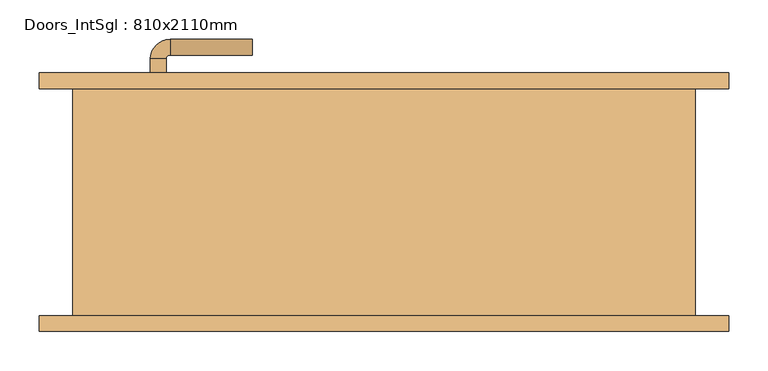
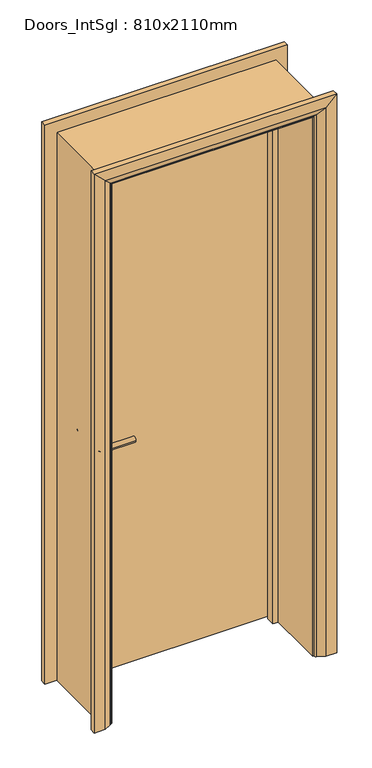
"""IFC4 building model written with IfcOpenShell, lengths in millimetres: door geometry, Doors_IntSgl : 810x2110mm."""

from ifc_helpers import new_model, si_unit, point, frame, frame_2d, origin, place, context, project, spatial, polyline, circle_curve, ellipse_curve, trimmed, segment, composite_curve, outline, extrude, faceted_brep, source, transform, mapped, element, save
from ifc_brep_helpers import plane_surface, cylinder_surface, revolved_surface, advanced_brep


def doors_intsgl_810x2110mm_6d4c063a(model_context):
    return source(origin(), model_context, "Body", "SolidModel", [
        advanced_brep(
        [(-298.0, 99.0, 900.0), (-278.0, 99.0, 900.0), (-278.0, 69.0, 900.0), (-298.0, 69.0, 900.0), (-273.0, 64.0, 900.0), (-273.0, 44.0, 900.0), (-168.0, 44.0, 900.0), (-168.0, 64.0, 900.0)],
        [
            (0, 1, circle_curve(frame((-288.0, 99.0, 900.0), z_axis=(0.0, 1.0, 0.0), x_axis=(1.0, 0.0, 0.0)), 10.0)),
            (1, 0, circle_curve(frame((-288.0, 99.0, 900.0), z_axis=(0.0, 1.0, 0.0), x_axis=(1.0, 0.0, 0.0)), 10.0)),
            (1, 2),
            (2, 3, circle_curve(frame((-288.0, 69.0, 900.0), z_axis=(0.0, 1.0, 0.0), x_axis=(1.0, 0.0, 0.0)), 10.0)),
            (3, 0),
            (3, 2, circle_curve(frame((-288.0, 69.0, 900.0), z_axis=(0.0, 1.0, 0.0), x_axis=(1.0, 0.0, 0.0)), 10.0)),
            (4, 5, circle_curve(frame((-273.0, 54.0, 900.0), z_axis=(-1.0, 0.0, 0.0), x_axis=(0.0, 1.0, 0.0)), 10.0)),
            (5, 3, circle_curve(frame((-273.0, 69.0, 900.0), z_axis=(0.0, 0.0, -1.0), x_axis=(-1.0, 0.0, 0.0)), 25.0)),
            (2, 4, circle_curve(frame((-273.0, 69.0, 900.0), z_axis=(0.0, 0.0, 1.0), x_axis=(-1.0, 0.0, 0.0)), 5.0)),
            (5, 4, circle_curve(frame((-273.0, 54.0, 900.0), z_axis=(-1.0, 0.0, 0.0), x_axis=(0.0, 1.0, 0.0)), 10.0)),
            (6, 7, circle_curve(frame((-168.0, 54.0, 900.0), z_axis=(1.0, 0.0, 0.0), x_axis=(0.0, 1.0, 0.0)), 10.0)),
            (7, 6, circle_curve(frame((-168.0, 54.0, 900.0), z_axis=(1.0, 0.0, 0.0), x_axis=(0.0, 1.0, 0.0)), 10.0)),
            (4, 7),
            (6, 5),
        ],
        [
            plane_surface(frame((-288.0, 99.0, 900.0), z_axis=(0.0, 1.0, 0.0), x_axis=(0.0, 0.0, 1.0))),
            cylinder_surface(frame((-288.0, 99.0, 900.0), z_axis=(0.0, 1.0, 0.0), x_axis=(1.0, 0.0, 0.0)), 10.0),
            revolved_surface(trimmed(ellipse_curve(frame((-288.0, 69.0, 900.0), z_axis=(0.0, -1.0, 0.0), x_axis=(1.0, 0.0, 0.0)), 10.0, 10.0), [point((-298.0, 69.0, 900.0))], [point((-278.0, 69.0, 900.0))], True, "CARTESIAN"), (-273.0, 69.0, 900.0), (0.0, 0.0, -1.0)),
            revolved_surface(trimmed(ellipse_curve(frame((-288.0, 69.0, 900.0), z_axis=(0.0, -1.0, 0.0), x_axis=(1.0, 0.0, 0.0)), 10.0, 10.0), [point((-278.0, 69.0, 900.0))], [point((-298.0, 69.0, 900.0))], True, "CARTESIAN"), (-273.0, 69.0, 900.0), (0.0, 0.0, -1.0)),
            plane_surface(frame((-168.0, 54.0, 900.0), z_axis=(1.0, 0.0, 0.0), x_axis=(0.0, 0.0, 1.0))),
            cylinder_surface(frame((-273.0, 54.0, 900.0), z_axis=(-1.0, 0.0, 0.0), x_axis=(0.0, 1.0, 0.0)), 10.0),
        ],
        [
            (0, [[1, 2]]),
            (1, [[3, 4, 5, -2]]),
            (1, [[-5, 6, -3, -1]]),
            (2, [[7, 8, -4, 9]]),
            (3, [[10, -9, -6, -8]]),
            (4, [[11, 12]]),
            (5, [[13, -11, 14, -7]]),
            (5, [[-14, -12, -13, -10]]),
        ],
    ),
        extrude(outline(composite_curve([segment(trimmed(circle_curve(frame_2d((900.0, -290.5)), 30.0), [point((900.0, -320.5))], [point((900.0, -260.5))], False, "CARTESIAN"), True, "CONTINUOUS"), segment(trimmed(circle_curve(frame_2d((900.0, -290.5)), 30.0), [point((900.0, -260.5))], [point((900.0, -320.5))], False, "CARTESIAN"), True, "CONTINUOUS")], self_intersect=False)), frame((0.0, 99.0, 0.0), z_axis=(0.0, 1.0, 0.0), x_axis=(0.0, 0.0, 1.0)), (0.0, 0.0, 1.0), 8.0),
        advanced_brep(
        [(-298.0, 153.0, 900.0), (-278.0, 153.0, 900.0), (-298.0, 183.0, 900.0), (-278.0, 183.0, 900.0), (-273.0, 188.0, 900.0), (-273.0, 208.0, 900.0), (-168.0, 208.0, 900.0), (-168.0, 188.0, 900.0)],
        [
            (0, 1, circle_curve(frame((-288.0, 153.0, 900.0), z_axis=(0.0, -1.0, 0.0), x_axis=(1.0, 0.0, 0.0)), 10.0)),
            (1, 0, circle_curve(frame((-288.0, 153.0, 900.0), z_axis=(0.0, -1.0, 0.0), x_axis=(1.0, 0.0, 0.0)), 10.0)),
            (0, 2),
            (2, 3, circle_curve(frame((-288.0, 183.0, 900.0), z_axis=(0.0, -1.0, 0.0), x_axis=(1.0, 0.0, 0.0)), 10.0)),
            (3, 1),
            (3, 2, circle_curve(frame((-288.0, 183.0, 900.0), z_axis=(0.0, -1.0, 0.0), x_axis=(1.0, 0.0, 0.0)), 10.0)),
            (4, 3, circle_curve(frame((-273.0, 183.0, 900.0), z_axis=(0.0, 0.0, 1.0), x_axis=(-1.0, 0.0, 0.0)), 5.0)),
            (2, 5, circle_curve(frame((-273.0, 183.0, 900.0), z_axis=(0.0, 0.0, -1.0), x_axis=(-1.0, 0.0, 0.0)), 25.0)),
            (5, 4, circle_curve(frame((-273.0, 198.0, 900.0), z_axis=(-1.0, 0.0, 0.0), x_axis=(0.0, -1.0, 0.0)), 10.0)),
            (4, 5, circle_curve(frame((-273.0, 198.0, 900.0), z_axis=(-1.0, 0.0, 0.0), x_axis=(0.0, -1.0, 0.0)), 10.0)),
            (6, 7, circle_curve(frame((-168.0, 198.0, 900.0), z_axis=(1.0, 0.0, 0.0), x_axis=(0.0, -1.0, 0.0)), 10.0)),
            (7, 6, circle_curve(frame((-168.0, 198.0, 900.0), z_axis=(1.0, 0.0, 0.0), x_axis=(0.0, -1.0, 0.0)), 10.0)),
            (5, 6),
            (7, 4),
        ],
        [
            plane_surface(frame((-288.0, 153.0, 900.0), z_axis=(0.0, -1.0, 0.0), x_axis=(0.0, 0.0, 1.0))),
            cylinder_surface(frame((-288.0, 153.0, 900.0), z_axis=(0.0, -1.0, 0.0), x_axis=(1.0, 0.0, 0.0)), 10.0),
            revolved_surface(trimmed(ellipse_curve(frame((-288.0, 183.0, 900.0), z_axis=(0.0, -1.0, 0.0), x_axis=(1.0, 0.0, 0.0)), 10.0, 10.0), [point((-298.0, 183.0, 900.0))], [point((-278.0, 183.0, 900.0))], True, "CARTESIAN"), (-273.0, 183.0, 900.0), (0.0, 0.0, -1.0)),
            revolved_surface(trimmed(ellipse_curve(frame((-288.0, 183.0, 900.0), z_axis=(0.0, -1.0, 0.0), x_axis=(1.0, 0.0, 0.0)), 10.0, 10.0), [point((-278.0, 183.0, 900.0))], [point((-298.0, 183.0, 900.0))], True, "CARTESIAN"), (-273.0, 183.0, 900.0), (0.0, 0.0, -1.0)),
            plane_surface(frame((-168.0, 198.0, 900.0), z_axis=(1.0, 0.0, 0.0), x_axis=(0.0, 0.0, 1.0))),
            cylinder_surface(frame((-273.0, 198.0, 900.0), z_axis=(-1.0, 0.0, 0.0), x_axis=(0.0, -1.0, 0.0)), 10.0),
        ],
        [
            (0, [[1, 2]]),
            (1, [[-1, 3, 4, 5]]),
            (1, [[-2, -5, 6, -3]]),
            (2, [[7, -4, 8, 9]]),
            (3, [[-8, -6, -7, 10]]),
            (4, [[11, 12]]),
            (5, [[-9, 13, -12, 14]]),
            (5, [[-10, -14, -11, -13]]),
        ],
    ),
        extrude(outline(composite_curve([segment(trimmed(circle_curve(frame_2d((900.0, -290.5)), 30.0), [point((900.0, -320.5))], [point((900.0, -260.5))], False, "CARTESIAN"), True, "CONTINUOUS"), segment(trimmed(circle_curve(frame_2d((900.0, -290.5)), 30.0), [point((900.0, -260.5))], [point((900.0, -320.5))], False, "CARTESIAN"), True, "CONTINUOUS")], self_intersect=False)), frame((0.0, 145.0, 0.0), z_axis=(0.0, 1.0, 0.0), x_axis=(0.0, 0.0, 1.0)), (0.0, 0.0, 1.0), 8.0),
        extrude(outline(polyline([(363.0, 107.0), (-363.0, 107.0), (-363.0, 145.0), (363.0, 145.0), (363.0, 107.0)])), frame((0.0, 0.0, 8.0), z_axis=(0.0, 0.0, 1.0), x_axis=(1.0, 0.0, 0.0)), (0.0, 0.0, 1.0), 2060.0),
        advanced_brep(
        [(440.0, 165.0, 0.0), (440.0, 145.0, 0.0), (370.0, 145.0, 0.0), (374.0, 151.0, 0.0), (400.0, 165.0, 0.0), (440.0, 165.0, 2145.0), (440.0, 145.0, 2145.0), (-440.0, 145.0, 2145.0), (-440.0, 145.0, 0.0), (-370.0, 145.0, 0.0), (-370.0, 145.0, 2075.0), (370.0, 145.0, 2075.0), (374.0, 151.0, 2079.0), (400.0, 165.0, 2105.0), (-400.0, 165.0, 2105.0), (-400.0, 165.0, 0.0), (-440.0, 165.0, 0.0), (-440.0, 165.0, 2145.0), (-374.0, 151.0, 2079.0), (-374.0, 151.0, 0.0)],
        [
            (0, 1),
            (1, 2),
            (2, 3, circle_curve(frame((378.0, 144.0, 0.0), z_axis=(0.0, 0.0, -1.0), x_axis=(1.0, 0.0, 0.0)), 8.0622577)),
            (3, 4),
            (4, 0),
            (0, 5),
            (5, 6),
            (6, 1),
            (6, 7),
            (7, 8),
            (8, 9),
            (9, 10),
            (10, 11),
            (11, 2),
            (11, 12, ellipse_curve(frame((378.0, 144.0, 2083.0), z_axis=(0.7071067811865475, 0.0, -0.7071067811865475), x_axis=(-0.7071067811865474, 0.0, -0.7071067811865476)), 11.4017543, 8.0622577)),
            (12, 3),
            (12, 13),
            (13, 4),
            (13, 14),
            (14, 15),
            (15, 16),
            (16, 17),
            (17, 5),
            (17, 7),
            (10, 18, ellipse_curve(frame((-378.0, 144.0, 2083.0), z_axis=(0.7071067811865475, 0.0, 0.7071067811865475), x_axis=(0.7071067811865476, 0.0, -0.7071067811865474)), 11.4017543, 8.0622577)),
            (18, 12),
            (18, 14),
            (15, 19),
            (19, 9, circle_curve(frame((-378.0, 144.0, 0.0), z_axis=(0.0, 0.0, -1.0), x_axis=(-1.0, 0.0, 0.0)), 8.0622577)),
            (8, 16),
            (19, 18),
        ],
        [
            plane_surface(frame((370.0, 145.0, 0.0), z_axis=(0.0, 0.0, -1.0), x_axis=(0.0, -1.0, 0.0))),
            plane_surface(frame((440.0, 165.0, 0.0), z_axis=(1.0, 0.0, 0.0), x_axis=(0.0, 0.0, 1.0))),
            plane_surface(frame((440.0, 145.0, 0.0), z_axis=(0.0, -1.0, 0.0), x_axis=(0.0, 0.0, 1.0))),
            cylinder_surface(frame((378.0, 144.0, 0.0), z_axis=(0.0, 0.0, -1.0), x_axis=(1.0, 0.0, 0.0)), 8.0622577),
            plane_surface(frame((374.0, 151.0, 0.0), z_axis=(-0.4740998230350126, 0.880471099922178, 0.0), x_axis=(0.0, 0.0, 1.0))),
            plane_surface(frame((400.0, 165.0, 0.0), z_axis=(0.0, 1.0, 0.0), x_axis=(0.0, 0.0, 1.0))),
            plane_surface(frame((440.0, 165.0, 2145.0), z_axis=(0.0, 0.0, 1.0), x_axis=(-1.0, 0.0, 0.0))),
            cylinder_surface(frame((370.0, 144.0, 2083.0), z_axis=(1.0, 0.0, 0.0), x_axis=(0.0, 0.0, 1.0)), 8.0622577),
            plane_surface(frame((374.0, 151.0, 2079.0), z_axis=(0.0, 0.8804710999221764, -0.4740998230350154), x_axis=(-1.0, 0.0, 0.0))),
            plane_surface(frame((-370.0, 145.0, 0.0), z_axis=(0.0, 0.0, -1.0), x_axis=(0.0, -1.0, 0.0))),
            plane_surface(frame((-440.0, 165.0, 2145.0), z_axis=(-1.0, 0.0, 0.0), x_axis=(0.0, 0.0, -1.0))),
            cylinder_surface(frame((-378.0, 144.0, 2075.0), z_axis=(0.0, 0.0, 1.0), x_axis=(-1.0, 0.0, 0.0)), 8.0622577),
            plane_surface(frame((-374.0, 151.0, 2079.0), z_axis=(0.47409982303501824, 0.8804710999221749, 0.0), x_axis=(0.0, 0.0, -1.0))),
        ],
        [
            (0, [[1, 2, 3, 4, 5]]),
            (1, [[-1, 6, 7, 8]]),
            (2, [[-2, -8, 9, 10, 11, 12, 13, 14]]),
            (3, [[-3, -14, 15, 16]]),
            (4, [[-4, -16, 17, 18]]),
            (5, [[-5, -18, 19, 20, 21, 22, 23, -6]]),
            (6, [[-7, -23, 24, -9]]),
            (7, [[-15, -13, 25, 26]]),
            (8, [[-17, -26, 27, -19]]),
            (9, [[-21, 28, 29, -11, 30]]),
            (10, [[-24, -22, -30, -10]]),
            (11, [[-25, -12, -29, 31]]),
            (12, [[-27, -31, -28, -20]]),
        ],
    ),
        extrude(outline(polyline([(0.0, -365.0), (0.0, -346.0), (2051.0, -346.0), (2051.0, 346.0), (0.0, 346.0), (0.0, 365.0), (2070.0, 365.0), (2070.0, -365.0), (0.0, -365.0)])), frame((0.0, 73.0, 0.0), z_axis=(0.0, 1.0, 0.0), x_axis=(0.0, 0.0, 1.0)), (0.0, 0.0, 1.0), 32.0),
        advanced_brep(
        [(-440.0, -165.0, 0.0), (-440.0, -145.0, 0.0), (-370.0, -145.0, 0.0), (-374.0, -151.0, 0.0), (-400.0, -165.0, 0.0), (-440.0, -165.0, 2145.0), (-440.0, -145.0, 2145.0), (-370.0, -145.0, 2075.0), (-374.0, -151.0, 2079.0), (-400.0, -165.0, 2105.0), (440.0, -165.0, 2145.0), (440.0, -145.0, 2145.0), (370.0, -145.0, 2075.0), (374.0, -151.0, 2079.0), (400.0, -165.0, 2105.0), (440.0, -165.0, 0.0), (400.0, -165.0, 0.0), (374.0, -151.0, 0.0), (370.0, -145.0, 0.0), (440.0, -145.0, 0.0)],
        [
            (0, 1),
            (1, 2),
            (2, 3, circle_curve(frame((-378.0, -144.0, 0.0), z_axis=(0.0, 0.0, -1.0), x_axis=(-1.0, 0.0, 0.0)), 8.0622577)),
            (3, 4),
            (4, 0),
            (0, 5),
            (5, 6),
            (6, 1),
            (6, 7),
            (7, 2),
            (7, 8, ellipse_curve(frame((-378.0, -144.0, 2083.0), z_axis=(-0.7071067811865475, 0.0, -0.7071067811865475), x_axis=(0.7071067811865474, 0.0, -0.7071067811865476)), 11.4017543, 8.0622577)),
            (8, 3),
            (8, 9),
            (9, 4),
            (9, 5),
            (5, 10),
            (10, 11),
            (11, 6),
            (11, 12),
            (12, 7),
            (12, 13, ellipse_curve(frame((378.0, -144.0, 2083.0), z_axis=(-0.7071067811865475, 0.0, 0.7071067811865475), x_axis=(-0.7071067811865476, 0.0, -0.7071067811865474)), 11.4017543, 8.0622577)),
            (13, 8),
            (13, 14),
            (14, 9),
            (14, 10),
            (15, 16),
            (16, 17),
            (17, 18, circle_curve(frame((378.0, -144.0, 0.0), z_axis=(0.0, 0.0, -1.0), x_axis=(1.0, 0.0, 0.0)), 8.0622577)),
            (18, 19),
            (19, 15),
            (10, 15),
            (19, 11),
            (18, 12),
            (17, 13),
            (16, 14),
        ],
        [
            plane_surface(frame((-370.0, -217.8010989, 0.0), z_axis=(0.0, 0.0, -1.0), x_axis=(1.0, 0.0, 0.0))),
            plane_surface(frame((-440.0, -165.0, 0.0), z_axis=(-1.0, 0.0, 0.0), x_axis=(0.0, 0.0, 1.0))),
            plane_surface(frame((-440.0, -145.0, 0.0), z_axis=(0.0, 1.0, 0.0), x_axis=(0.0, 0.0, 1.0))),
            cylinder_surface(frame((-378.0, -144.0, 0.0), z_axis=(0.0, 0.0, -1.0), x_axis=(-1.0, 0.0, 0.0)), 8.0622577),
            plane_surface(frame((-374.0, -151.0, 0.0), z_axis=(0.4740998230350183, -0.8804710999221749, 0.0), x_axis=(0.0, 0.0, 1.0))),
            plane_surface(frame((-400.0, -165.0, 0.0), z_axis=(0.0, -1.0, 0.0), x_axis=(0.0, 0.0, 1.0))),
            plane_surface(frame((-440.0, -165.0, 2145.0), z_axis=(0.0, 0.0, 1.0), x_axis=(1.0, 0.0, 0.0))),
            plane_surface(frame((-440.0, -145.0, 2145.0), z_axis=(0.0, 1.0, 0.0), x_axis=(1.0, 0.0, 0.0))),
            cylinder_surface(frame((-370.0, -144.0, 2083.0), z_axis=(-1.0, 0.0, 0.0), x_axis=(0.0, 0.0, 1.0)), 8.0622577),
            plane_surface(frame((-374.0, -151.0, 2079.0), z_axis=(0.0, -0.8804710999221749, -0.4740998230350183), x_axis=(1.0, 0.0, 0.0))),
            plane_surface(frame((-400.0, -165.0, 2105.0), z_axis=(0.0, -1.0, 0.0), x_axis=(1.0, 0.0, 0.0))),
            plane_surface(frame((370.0, -217.8010989, 0.0), z_axis=(0.0, 0.0, -1.0), x_axis=(-1.0, 0.0, 0.0))),
            plane_surface(frame((440.0, -165.0, 2145.0), z_axis=(1.0, 0.0, 0.0), x_axis=(0.0, 0.0, -1.0))),
            plane_surface(frame((440.0, -145.0, 2145.0), z_axis=(0.0, 1.0, 0.0), x_axis=(0.0, 0.0, -1.0))),
            cylinder_surface(frame((378.0, -144.0, 2075.0), z_axis=(0.0, 0.0, 1.0), x_axis=(1.0, 0.0, 0.0)), 8.0622577),
            plane_surface(frame((374.0, -151.0, 2079.0), z_axis=(-0.4740998230350183, -0.8804710999221749, 0.0), x_axis=(0.0, 0.0, -1.0))),
            plane_surface(frame((400.0, -165.0, 2105.0), z_axis=(0.0, -1.0, 0.0), x_axis=(0.0, 0.0, -1.0))),
        ],
        [
            (0, [[1, 2, 3, 4, 5]]),
            (1, [[-1, 6, 7, 8]]),
            (2, [[-2, -8, 9, 10]]),
            (3, [[-3, -10, 11, 12]]),
            (4, [[-4, -12, 13, 14]]),
            (5, [[-5, -14, 15, -6]]),
            (6, [[-7, 16, 17, 18]]),
            (7, [[-9, -18, 19, 20]]),
            (8, [[-11, -20, 21, 22]]),
            (9, [[-13, -22, 23, 24]]),
            (10, [[-15, -24, 25, -16]]),
            (11, [[26, 27, 28, 29, 30]]),
            (12, [[-17, 31, -30, 32]]),
            (13, [[-19, -32, -29, 33]]),
            (14, [[-21, -33, -28, 34]]),
            (15, [[-23, -34, -27, 35]]),
            (16, [[-25, -35, -26, -31]]),
        ],
    ),
        faceted_brep([(-365.0, 145.0, 0.0), (-365.0, -145.0, 0.0), (-397.0, -145.0, 0.0), (-397.0, 145.0, 0.0), (-365.0, 145.0, 2070.0), (-365.0, -145.0, 2070.0), (-397.0, -145.0, 2102.0), (-397.0, 145.0, 2102.0), (365.0, 145.0, 2070.0), (365.0, -145.0, 2070.0), (397.0, -145.0, 2102.0), (397.0, 145.0, 2102.0), (365.0, 145.0, 0.0), (397.0, 145.0, 0.0), (397.0, -145.0, 0.0), (365.0, -145.0, 0.0)], [[[0, 1, 2, 3]], [[1, 0, 4, 5]], [[2, 1, 5, 6]], [[3, 2, 6, 7]], [[0, 3, 7, 4]], [[5, 4, 8, 9]], [[6, 5, 9, 10]], [[7, 6, 10, 11]], [[4, 7, 11, 8]], [[12, 13, 14, 15]], [[9, 8, 12, 15]], [[10, 9, 15, 14]], [[11, 10, 14, 13]], [[8, 11, 13, 12]]]),
    ])


if __name__ == "__main__":
    model = new_model("IFC4")
    model_context = context("Model", 3, world=origin())
    ifc_project = project(units=[si_unit("LENGTHUNIT", "METRE", prefix="MILLI")], contexts=[model_context])
    site = spatial("IfcSite", under=ifc_project)
    building = spatial("IfcBuilding", under=site)
    placement = place(None, origin())
    doors_intsgl_810x2110mm_shape = doors_intsgl_810x2110mm_6d4c063a(model_context)
    element("IfcDoor", 1, ObjectType="Doors_IntSgl : 810x2110mm", at=placement, inside=building, context=model_context, shape_type="MappedRepresentation", body=[
        mapped(doors_intsgl_810x2110mm_shape, transform((0.0, 0.0, 0.0), x_axis=(1.0, 0.0, 0.0), y_axis=(0.0, 1.0, 0.0), z_axis=(0.0, 0.0, 1.0))),
    ])
    save(model, "model.ifc")
